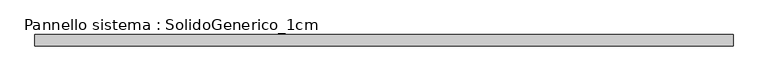
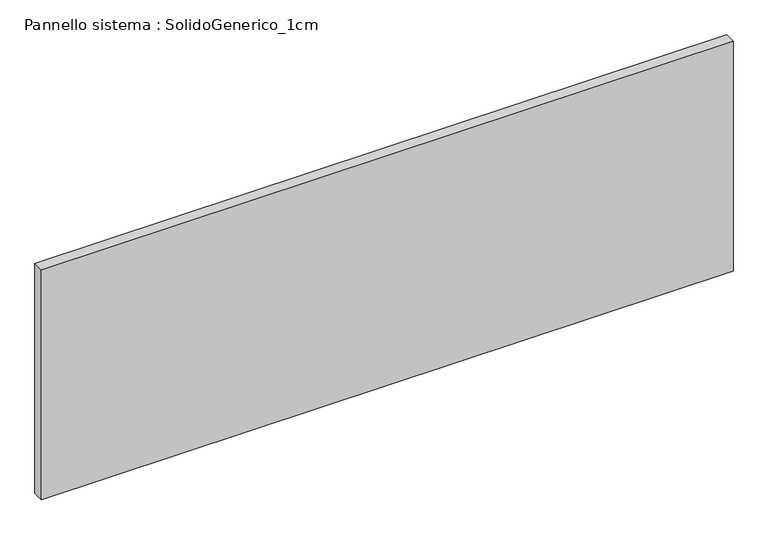
"""IFC4 building model written with IfcOpenShell, lengths in millimetres: plate geometry, Pannello sistema : SolidoGenerico_1cm."""

import ifcopenshell
import ifcopenshell.guid

model = None  # the IFC model being written
_history = None  # IfcOwnerHistory: only IFC2X3 demands one
_inside = {}  # id of a spatial element -> (the spatial element, [elements in it])
_under = {}  # id of a project, library or spatial element -> (it, [spatial elements below it])
_declared = {}  # id of a project -> (the project, [libraries it declares])
_typed = {}  # id of a type object -> (the type object, [elements of that type])
_made_of = {}  # id of a material, layer set ... -> (it, [elements and type objects made of it])


def new_model(schema):
    """Start an empty IFC model of exactly this schema.

    Asked for "IFC4X3", IfcOpenShell would pick the latest addendum, in which some entities
    have other attributes; the version numbers below select the first issue.
    IFC2X3 requires an IfcOwnerHistory on every rooted entity: one is made here for all.
    """
    global model, _history
    if schema == "IFC4X3":
        model = ifcopenshell.file(schema_version=(4, 3, 0, 0))
    else:
        model = ifcopenshell.file(schema=schema)
    _inside.clear()
    _under.clear()
    _declared.clear()
    _typed.clear()
    _made_of.clear()
    _history = None
    if model.schema == "IFC2X3":
        org = make("IfcOrganization", Name="unknown")
        user = make(
            "IfcPersonAndOrganization",
            ThePerson=make("IfcPerson", FamilyName="unknown"),
            TheOrganization=org,
        )
        app = make(
            "IfcApplication",
            ApplicationDeveloper=org,
            Version="unknown",
            ApplicationFullName="unknown",
            ApplicationIdentifier="unknown",
        )
        _history = make(
            "IfcOwnerHistory",
            OwningUser=user,
            OwningApplication=app,
            ChangeAction="ADDED",
            CreationDate=0,
        )
    return model


def make(cls, **values):
    """One entity of the class cls with the attributes given. An attribute that is None is left unset."""
    return model.create_entity(
        cls, **{name: value for name, value in values.items() if value is not None}
    )


def rooted(cls, **values):
    """An entity with a GlobalId (a new one), such as an element, a storey or a relation."""
    return make(cls, GlobalId=ifcopenshell.guid.new(), OwnerHistory=_history, **values)


def si_unit(unit_type, name, prefix=None):
    """IfcSIUnit, for example si_unit("LENGTHUNIT", "METRE", prefix="MILLI")."""
    return make("IfcSIUnit", UnitType=unit_type, Prefix=prefix, Name=name)


def assignment(units):
    """IfcUnitAssignment: the units of a project."""
    return None if units is None else make("IfcUnitAssignment", Units=units)


def point(xyz):
    """IfcCartesianPoint."""
    return None if xyz is None else make("IfcCartesianPoint", Coordinates=xyz)


def direction(xyz):
    """IfcDirection."""
    return None if xyz is None else make("IfcDirection", DirectionRatios=xyz)


def frame(location, z_axis=None, x_axis=None):
    """IfcAxis2Placement3D, a coordinate frame: its origin and axes. An axis left out is left unset."""
    return make(
        "IfcAxis2Placement3D",
        Location=point(location),
        Axis=direction(z_axis),
        RefDirection=direction(x_axis),
    )


def origin():
    """The frame at (0, 0, 0) with its axes left unset."""
    return frame((0.0, 0.0, 0.0))


def origin_with_axes():
    """The frame at (0, 0, 0) with the z axis (0, 0, 1) and the x axis (1, 0, 0) written out."""
    return frame((0.0, 0.0, 0.0), z_axis=(0.0, 0.0, 1.0), x_axis=(1.0, 0.0, 0.0))


def place(relative_to, where):
    """IfcLocalPlacement: puts the frame where relative to a parent placement (None: the world)."""
    return make(
        "IfcLocalPlacement", PlacementRelTo=relative_to, RelativePlacement=where
    )


def context(
    kind, dimensions, precision=None, world=None, true_north=None, identifier=None
):
    """IfcGeometricRepresentationContext, for example the 3D "Model" context."""
    return make(
        "IfcGeometricRepresentationContext",
        ContextIdentifier=identifier,
        ContextType=kind,
        CoordinateSpaceDimension=dimensions,
        Precision=precision,
        WorldCoordinateSystem=world,
        TrueNorth=true_north,
    )


def project(units=None, contexts=None):
    """IfcProject with its units and contexts."""
    return rooted(
        "IfcProject",
        Name="project",
        RepresentationContexts=contexts,
        UnitsInContext=assignment(units),
    )


def spatial(cls, under=None, at=None, **own):
    """A site, building, storey or space (cls), placed at a placement, below another one or the project."""
    s = rooted(cls, ObjectPlacement=at, **own)
    if under is not None:
        _under.setdefault(under.id(), (under, []))[1].append(s)
    return s


def polyline(points):
    """IfcPolyline through the points."""
    return make("IfcPolyline", Points=[point(p) for p in points])


def outline(outer, holes=None, kind="AREA"):
    """IfcArbitraryClosedProfileDef: a profile drawn as a closed curve; with holes, ...WithVoids."""
    if holes is None:
        return make("IfcArbitraryClosedProfileDef", ProfileType=kind, OuterCurve=outer)
    return make(
        "IfcArbitraryProfileDefWithVoids",
        ProfileType=kind,
        OuterCurve=outer,
        InnerCurves=holes,
    )


def extrude(swept, where, along, depth):
    """IfcExtrudedAreaSolid: the profile swept, set in the frame where, extruded along a direction by depth."""
    return make(
        "IfcExtrudedAreaSolid",
        SweptArea=swept,
        Position=where,
        ExtrudedDirection=direction(along),
        Depth=depth,
    )


def shape(context_of_items, identifier, shape_type, items):
    """IfcShapeRepresentation: the items that make up one representation, for example the "Body"."""
    return make(
        "IfcShapeRepresentation",
        ContextOfItems=context_of_items,
        RepresentationIdentifier=identifier,
        RepresentationType=shape_type,
        Items=items,
    )


def source(mapping_origin, context_of_items, identifier, shape_type, items):
    """IfcRepresentationMap: a shape defined once, which mapped items show again and again."""
    return make(
        "IfcRepresentationMap",
        MappingOrigin=mapping_origin,
        MappedRepresentation=shape(context_of_items, identifier, shape_type, items),
    )


def transform(
    local_origin,
    x_axis=None,
    y_axis=None,
    z_axis=None,
    scale=None,
    scale2=None,
    scale3=None,
    uniform=True,
):
    """IfcCartesianTransformationOperator3D, or its non-uniform kind. x_axis, y_axis, z_axis: its Axis1, 2, 3."""
    if uniform:
        return make(
            "IfcCartesianTransformationOperator3D",
            Axis1=direction(x_axis),
            Axis2=direction(y_axis),
            LocalOrigin=point(local_origin),
            Scale=scale,
            Axis3=direction(z_axis),
        )
    return make(
        "IfcCartesianTransformationOperator3DnonUniform",
        Axis1=direction(x_axis),
        Axis2=direction(y_axis),
        LocalOrigin=point(local_origin),
        Scale=scale,
        Axis3=direction(z_axis),
        Scale2=scale2,
        Scale3=scale3,
    )


def mapped(mapping_source, mapping_target):
    """IfcMappedItem: shows the shape of a source again, moved by a transform."""
    return make(
        "IfcMappedItem", MappingSource=mapping_source, MappingTarget=mapping_target
    )


def made_of(thing, what):
    """Note that an element or type object is made of a material, layer set ...; save() writes the relation."""
    if what is not None:
        _made_of.setdefault(what.id(), (what, []))[1].append(thing)
    return thing


def element(
    cls,
    number,
    at=None,
    inside=None,
    cuts=None,
    type_object=None,
    material=None,
    context=None,
    identifier="Body",
    shape_type=None,
    held_by="IfcProductDefinitionShape",
    body=None,
    shapes=None,
    **own,
):
    """One element of the class cls, such as IfcWall. Its Tag is "e" and its number.

    at: its placement. inside: the storey or other place that contains it. cuts: it is an
    opening in that element (IfcRelVoidsElement). A single representation is given by context,
    identifier, shape_type and body (its items); several are given by shapes. held_by: the class
    of the entity that holds the representations. save() writes the other relations.
    """
    e = rooted(cls, Tag="e%d" % number, ObjectPlacement=at, **own)
    if body is not None:
        shapes = [shape(context, identifier, shape_type, body)]
    if shapes is not None:
        e.Representation = make(held_by, Representations=shapes)
    if inside is not None:
        _inside.setdefault(inside.id(), (inside, []))[1].append(e)
    if cuts is not None:
        rooted(
            "IfcRelVoidsElement", RelatingBuildingElement=cuts, RelatedOpeningElement=e
        )
    if type_object is not None:
        _typed.setdefault(type_object.id(), (type_object, []))[1].append(e)
    return made_of(e, material)


def aggregate(whole, parts):
    """IfcRelAggregates: a whole, such as a stair, and the parts it consists of."""
    return rooted("IfcRelAggregates", RelatingObject=whole, RelatedObjects=parts)


def save(model, path):
    """Write the relations noted so far, then the file.

    IfcRelAggregates (storeys below a building ...), IfcRelContainedInSpatialStructure (elements
    in a storey), IfcRelDefinesByType, IfcRelAssociatesMaterial and IfcRelDeclares: one each for
    every whole, place, type object, material and project.
    """
    for whole, parts in _under.values():
        aggregate(whole, parts)
    for where, things in _inside.values():
        rooted(
            "IfcRelContainedInSpatialStructure",
            RelatedElements=things,
            RelatingStructure=where,
        )
    for kind, things in _typed.values():
        rooted("IfcRelDefinesByType", RelatedObjects=things, RelatingType=kind)
    for what, things in _made_of.values():
        rooted("IfcRelAssociatesMaterial", RelatedObjects=things, RelatingMaterial=what)
    for by, libraries in _declared.values():
        rooted("IfcRelDeclares", RelatingContext=by, RelatedDefinitions=libraries)
    model.write(path)


def pannello_sistema_solidogenerico_1cm_897d9f45(model_context):
    return source(origin(), model_context, "Body", "SweptSolid", [
        extrude(outline(polyline([(768.6465804, -12.5), (-768.6465804, -12.5), (-768.6465804, 12.5), (768.6465804, 12.5), (768.6465804, -12.5)])), origin_with_axes(), (0.0, 0.0, 1.0), 540.0),
    ])


if __name__ == "__main__":
    model = new_model("IFC4")
    model_context = context("Model", 3, world=origin())
    ifc_project = project(units=[si_unit("LENGTHUNIT", "METRE", prefix="MILLI")], contexts=[model_context])
    site = spatial("IfcSite", under=ifc_project)
    building = spatial("IfcBuilding", under=site)
    placement = place(None, origin())
    pannello_sistema_solidogenerico_1cm_shape = pannello_sistema_solidogenerico_1cm_897d9f45(model_context)
    element("IfcPlate", 1, ObjectType="Pannello sistema : SolidoGenerico_1cm", at=placement, inside=building, context=model_context, shape_type="MappedRepresentation", body=[
        mapped(pannello_sistema_solidogenerico_1cm_shape, transform((0.0, 0.0, 0.0), x_axis=(1.0, 0.0, 0.0), y_axis=(0.0, 1.0, 0.0), z_axis=(0.0, 0.0, 1.0))),
    ])
    save(model, "model.ifc")
